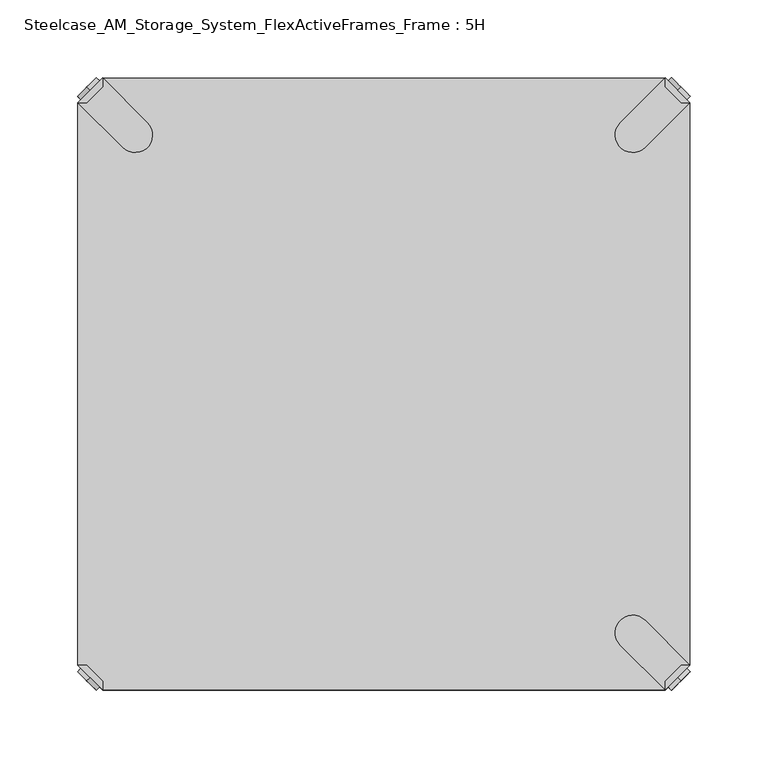
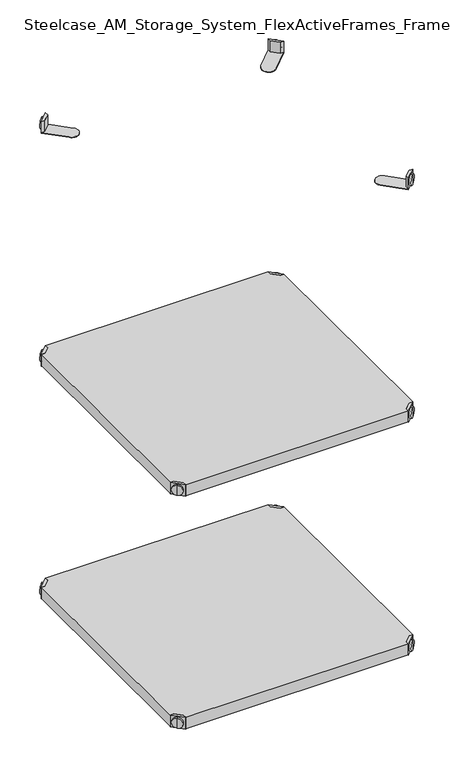
"""IFC4 building model written with IfcOpenShell, lengths in millimetres: furniture geometry, Steelcase_AM_Storage_System_FlexActiveFrames_Frame : 5H."""

from ifc_helpers import new_model, si_unit, frame, origin, place, context, project, spatial, polyline, circle_curve, outline, extrude, source, transform, mapped, element, save
from ifc_brep_helpers import plane_surface, cylinder_surface, advanced_brep


def steelcase_am_storage_system_flexactiveframes_frame_5h_f8468c08(model_context):
    return source(origin(), model_context, "Body", "SolidModel", [
        advanced_brep(
        [(389.0398449, 10.9601551, 498.5), (389.0398449, 10.9601551, 515.5), (389.0398449, 10.9601551, 507.0), (391.1611652, 8.8388348, 498.5), (391.1611652, 8.8388348, 515.5), (391.1611652, 8.8388348, 507.0)],
        [
            (0, 1, circle_curve(frame((389.0398449, 10.9601551, 507.0), z_axis=(-0.7071067811865556, 0.7071067811865395, 0.0), x_axis=(0.0, 0.0, 1.0)), 8.5)),
            (1, 2),
            (2, 0),
            (1, 0, circle_curve(frame((389.0398449, 10.9601551, 507.0), z_axis=(-0.7071067811865556, 0.7071067811865395, 0.0), x_axis=(0.0, 0.0, 1.0)), 8.5)),
            (3, 4, circle_curve(frame((391.1611652, 8.8388348, 507.0), z_axis=(-0.7071067811865556, 0.7071067811865395, 0.0), x_axis=(0.0, 0.0, 1.0)), 8.5)),
            (4, 1),
            (0, 3),
            (4, 3, circle_curve(frame((391.1611652, 8.8388348, 507.0), z_axis=(-0.7071067811865556, 0.7071067811865395, 0.0), x_axis=(0.0, 0.0, 1.0)), 8.5)),
            (5, 4),
            (3, 5),
        ],
        [
            plane_surface(frame((389.0398449, 10.9601551, 507.0), z_axis=(-0.7071067811865552, 0.7071067811865399, 0.0), x_axis=(0.0, 0.0, 1.0))),
            cylinder_surface(frame((391.1611652, 8.8388348, 507.0), z_axis=(0.7071067811865556, -0.7071067811865395, 0.0), x_axis=(0.0, 0.0, 1.0)), 8.5),
            plane_surface(frame((391.1611652, 8.8388348, 507.0), z_axis=(0.7071067811865552, -0.7071067811865399, 0.0), x_axis=(0.0, 0.0, 1.0))),
        ],
        [
            (0, [[1, 2, 3]]),
            (0, [[4, -3, -2]]),
            (1, [[5, 6, -1, 7]]),
            (1, [[8, -7, -4, -6]]),
            (2, [[9, -5, 10]]),
            (2, [[-10, -8, -9]]),
        ],
    ),
        advanced_brep(
        [(381.0796898, 3.0, 517.0), (397.0, 18.9203102, 517.0), (391.3431458, 18.9203102, 517.0), (381.0796898, 8.6568542, 517.0), (381.0796898, 3.0, 498.0), (381.0796898, 3.0, 497.0), (397.0, 18.9203102, 497.0), (397.0, 18.9203102, 498.0), (391.3431458, 18.9203102, 498.0), (381.0796898, 8.6568542, 498.0), (368.1906025, 47.7297077, 498.0), (352.2702923, 31.8093975, 498.0), (352.2702923, 31.8093975, 497.0), (368.1906025, 47.7297077, 497.0)],
        [
            (0, 1),
            (1, 2),
            (2, 3),
            (3, 0),
            (0, 4),
            (4, 5),
            (5, 6),
            (6, 7),
            (7, 1),
            (2, 8),
            (8, 9),
            (9, 3),
            (9, 4),
            (7, 8),
            (7, 10),
            (10, 11, circle_curve(frame((360.2304474, 39.7695526, 498.0), z_axis=(0.0, 0.0, 1.0), x_axis=(-1.0, 0.0, 0.0)), 11.2573593)),
            (11, 4),
            (5, 12),
            (12, 13, circle_curve(frame((360.2304474, 39.7695526, 497.0), z_axis=(0.0, 0.0, -1.0), x_axis=(-1.0, 0.0, 0.0)), 11.2573593)),
            (13, 6),
            (13, 10),
            (12, 11),
        ],
        [
            plane_surface(frame((438.8756299, 60.7959401, 517.0), z_axis=(0.0, 0.0, 1.0000000000000002), x_axis=(0.7071067811865465, 0.7071067811865487, 0.0))),
            plane_surface(frame((381.0796898, 3.0, 517.0), z_axis=(0.7071067811865487, -0.7071067811865465, 0.0), x_axis=(0.0, 0.0, -1.0))),
            plane_surface(frame((391.3431458, 18.9203102, 517.0), z_axis=(-0.7071067811865573, 0.7071067811865377, 0.0), x_axis=(0.0, 0.0, -1.0))),
            plane_surface(frame((381.0796898, 8.6568542, 517.0), z_axis=(-1.0, 0.0, 0.0), x_axis=(0.0, 0.0, -1.0))),
            plane_surface(frame((397.0, 18.9203102, 517.0), z_axis=(0.0, 1.0, 0.0), x_axis=(0.0, 0.0, -1.0))),
            plane_surface(frame((397.0, 18.9203102, 498.0), z_axis=(0.0, 0.0, 1.0), x_axis=(0.7071067811865392, 0.7071067811865558, 0.0))),
            plane_surface(frame((397.0, 18.9203102, 497.0), z_axis=(0.0, 0.0, -1.0), x_axis=(-0.7071067811865392, -0.7071067811865558, 0.0))),
            plane_surface(frame((397.0, 18.9203102, 498.0), z_axis=(0.7071067811865399, 0.7071067811865552, 0.0), x_axis=(0.0, 0.0, -1.0))),
            cylinder_surface(frame((360.2304474, 39.7695526, 497.0), z_axis=(0.0, 0.0, 1.0), x_axis=(-1.0, 0.0, 0.0)), 11.2573593),
            plane_surface(frame((352.2702923, 31.8093975, 498.0), z_axis=(-0.7071067811865388, -0.7071067811865563, 0.0), x_axis=(0.0, 0.0, -1.0))),
        ],
        [
            (0, [[1, 2, 3, 4]]),
            (1, [[-1, 5, 6, 7, 8, 9]]),
            (2, [[-3, 10, 11, 12]]),
            (3, [[-4, -12, 13, -5]]),
            (4, [[-2, -9, 14, -10]]),
            (5, [[15, 16, 17, -13, -11, -14]]),
            (6, [[18, 19, 20, -7]]),
            (7, [[-15, -8, -20, 21]]),
            (8, [[-16, -21, -19, 22]]),
            (9, [[-17, -22, -18, -6]]),
        ],
    ),
        advanced_brep(
        [(389.0398449, 389.0398449, 498.5), (389.0398449, 389.0398449, 507.0), (389.0398449, 389.0398449, 515.5), (391.1611652, 391.1611652, 498.5), (391.1611652, 391.1611652, 515.5), (391.1611652, 391.1611652, 507.0)],
        [
            (0, 1),
            (1, 2),
            (2, 0, circle_curve(frame((389.0398449, 389.0398449, 507.0), z_axis=(-0.7071067811865509, -0.7071067811865441, 0.0), x_axis=(0.0, 0.0, 1.0)), 8.5)),
            (0, 2, circle_curve(frame((389.0398449, 389.0398449, 507.0), z_axis=(-0.7071067811865509, -0.7071067811865441, 0.0), x_axis=(0.0, 0.0, 1.0)), 8.5)),
            (3, 0),
            (2, 4),
            (4, 3, circle_curve(frame((391.1611652, 391.1611652, 507.0), z_axis=(-0.7071067811865509, -0.7071067811865441, 0.0), x_axis=(0.0, 0.0, 1.0)), 8.5)),
            (3, 4, circle_curve(frame((391.1611652, 391.1611652, 507.0), z_axis=(-0.7071067811865509, -0.7071067811865441, 0.0), x_axis=(0.0, 0.0, 1.0)), 8.5)),
            (5, 3),
            (4, 5),
        ],
        [
            plane_surface(frame((389.0398449, 389.0398449, 507.0), z_axis=(-0.7071067811865506, -0.7071067811865446, 0.0), x_axis=(0.0, 0.0, 1.0))),
            cylinder_surface(frame((391.1611652, 391.1611652, 507.0), z_axis=(0.7071067811865509, 0.7071067811865441, 0.0), x_axis=(0.0, 0.0, 1.0)), 8.5),
            plane_surface(frame((391.1611652, 391.1611652, 507.0), z_axis=(0.7071067811865506, 0.7071067811865446, 0.0), x_axis=(0.0, 0.0, 1.0))),
        ],
        [
            (0, [[1, 2, 3]]),
            (0, [[-2, -1, 4]]),
            (1, [[5, -3, 6, 7]]),
            (1, [[-6, -4, -5, 8]]),
            (2, [[9, -7, 10]]),
            (2, [[-10, -8, -9]]),
        ],
    ),
        advanced_brep(
        [(381.0796898, 397.0, 517.0), (381.0796898, 391.3431458, 517.0), (391.3431458, 381.0796898, 517.0), (397.0, 381.0796898, 517.0), (397.0, 381.0796898, 498.0), (397.0, 381.0796898, 497.0), (381.0796898, 397.0, 497.0), (381.0796898, 397.0, 498.0), (381.0796898, 391.3431458, 498.0), (391.3431458, 381.0796898, 498.0), (352.2702923, 368.1906025, 498.0), (368.1906025, 352.2702923, 498.0), (368.1906025, 352.2702923, 497.0), (352.2702923, 368.1906025, 497.0)],
        [
            (0, 1),
            (1, 2),
            (2, 3),
            (3, 0),
            (3, 4),
            (4, 5),
            (5, 6),
            (6, 7),
            (7, 0),
            (1, 8),
            (8, 9),
            (9, 2),
            (7, 8),
            (9, 4),
            (7, 10),
            (10, 11, circle_curve(frame((360.2304474, 360.2304474, 498.0), z_axis=(0.0, 0.0, 1.0), x_axis=(-1.0, 0.0, 0.0)), 11.2573593)),
            (11, 4),
            (5, 12),
            (12, 13, circle_curve(frame((360.2304474, 360.2304474, 497.0), z_axis=(0.0, 0.0, -1.0), x_axis=(-1.0, 0.0, 0.0)), 11.2573593)),
            (13, 6),
            (11, 12),
            (10, 13),
        ],
        [
            plane_surface(frame((438.8756299, 339.2040599, 517.0), z_axis=(0.0, 0.0, 1.0000000000000002), x_axis=(0.7071067811865511, -0.707106781186544, 0.0))),
            plane_surface(frame((381.0796898, 397.0, 517.0), z_axis=(0.707106781186544, 0.7071067811865511, 0.0), x_axis=(0.0, 0.0, -1.0))),
            plane_surface(frame((391.3431458, 381.0796898, 517.0), z_axis=(-0.7071067811865527, -0.7071067811865424, 0.0), x_axis=(0.0, 0.0, -1.0))),
            plane_surface(frame((381.0796898, 391.3431458, 517.0), z_axis=(-1.0, 0.0, 0.0), x_axis=(0.0, 0.0, -1.0))),
            plane_surface(frame((397.0, 381.0796898, 517.0), z_axis=(0.0, -1.0, 0.0), x_axis=(0.0, 0.0, -1.0))),
            plane_surface(frame((397.0, 381.0796898, 498.0), z_axis=(0.0, 0.0, 1.0), x_axis=(0.7071067811865439, -0.7071067811865511, 0.0))),
            plane_surface(frame((397.0, 381.0796898, 497.0), z_axis=(0.0, 0.0, -1.0), x_axis=(-0.7071067811865439, 0.7071067811865511, 0.0))),
            plane_surface(frame((397.0, 381.0796898, 498.0), z_axis=(0.7071067811865446, -0.7071067811865506, 0.0), x_axis=(0.0, 0.0, -1.0))),
            cylinder_surface(frame((360.2304474, 360.2304474, 497.0), z_axis=(0.0, 0.0, 1.0), x_axis=(-1.0, 0.0, 0.0)), 11.2573593),
            plane_surface(frame((352.2702923, 368.1906025, 498.0), z_axis=(-0.7071067811865435, 0.7071067811865517, 0.0), x_axis=(0.0, 0.0, -1.0))),
        ],
        [
            (0, [[1, 2, 3, 4]]),
            (1, [[5, 6, 7, 8, 9, -4]]),
            (2, [[10, 11, 12, -2]]),
            (3, [[-9, 13, -10, -1]]),
            (4, [[-12, 14, -5, -3]]),
            (5, [[-14, -11, -13, 15, 16, 17]]),
            (6, [[-7, 18, 19, 20]]),
            (7, [[21, -18, -6, -17]]),
            (8, [[22, -19, -21, -16]]),
            (9, [[-8, -20, -22, -15]]),
        ],
    ),
        advanced_brep(
        [(10.9601551, 389.0398449, 498.5), (10.9601551, 389.0398449, 515.5), (10.9601551, 389.0398449, 507.0), (8.8388348, 391.1611652, 498.5), (8.8388348, 391.1611652, 515.5), (8.8388348, 391.1611652, 507.0)],
        [
            (0, 1, circle_curve(frame((10.9601551, 389.0398449, 507.0), z_axis=(0.7071067811865509, -0.7071067811865441, 0.0), x_axis=(0.0, 0.0, 1.0)), 8.5)),
            (1, 2),
            (2, 0),
            (1, 0, circle_curve(frame((10.9601551, 389.0398449, 507.0), z_axis=(0.7071067811865509, -0.7071067811865441, 0.0), x_axis=(0.0, 0.0, 1.0)), 8.5)),
            (3, 4, circle_curve(frame((8.8388348, 391.1611652, 507.0), z_axis=(0.7071067811865509, -0.7071067811865441, 0.0), x_axis=(0.0, 0.0, 1.0)), 8.5)),
            (4, 1),
            (0, 3),
            (4, 3, circle_curve(frame((8.8388348, 391.1611652, 507.0), z_axis=(0.7071067811865509, -0.7071067811865441, 0.0), x_axis=(0.0, 0.0, 1.0)), 8.5)),
            (5, 4),
            (3, 5),
        ],
        [
            plane_surface(frame((10.9601551, 389.0398449, 507.0), z_axis=(0.7071067811865506, -0.7071067811865446, 0.0), x_axis=(0.0, 0.0, 1.0))),
            cylinder_surface(frame((8.8388348, 391.1611652, 507.0), z_axis=(-0.7071067811865509, 0.7071067811865441, 0.0), x_axis=(0.0, 0.0, 1.0)), 8.5),
            plane_surface(frame((8.8388348, 391.1611652, 507.0), z_axis=(-0.7071067811865506, 0.7071067811865446, 0.0), x_axis=(0.0, 0.0, 1.0))),
        ],
        [
            (0, [[1, 2, 3]]),
            (0, [[4, -3, -2]]),
            (1, [[5, 6, -1, 7]]),
            (1, [[8, -7, -4, -6]]),
            (2, [[9, -5, 10]]),
            (2, [[-10, -8, -9]]),
        ],
    ),
        advanced_brep(
        [(18.9203102, 397.0, 517.0), (3.0, 381.0796898, 517.0), (8.6568542, 381.0796898, 517.0), (18.9203102, 391.3431458, 517.0), (18.9203102, 397.0, 498.0), (18.9203102, 397.0, 497.0), (3.0, 381.0796898, 497.0), (3.0, 381.0796898, 498.0), (8.6568542, 381.0796898, 498.0), (18.9203102, 391.3431458, 498.0), (31.8093975, 352.2702923, 498.0), (47.7297077, 368.1906025, 498.0), (47.7297077, 368.1906025, 497.0), (31.8093975, 352.2702923, 497.0)],
        [
            (0, 1),
            (1, 2),
            (2, 3),
            (3, 0),
            (0, 4),
            (4, 5),
            (5, 6),
            (6, 7),
            (7, 1),
            (2, 8),
            (8, 9),
            (9, 3),
            (9, 4),
            (7, 8),
            (7, 10),
            (10, 11, circle_curve(frame((39.7695526, 360.2304474, 498.0), z_axis=(0.0, 0.0, 1.0), x_axis=(1.0, 0.0, 0.0)), 11.2573593)),
            (11, 4),
            (5, 12),
            (12, 13, circle_curve(frame((39.7695526, 360.2304474, 497.0), z_axis=(0.0, 0.0, -1.0), x_axis=(1.0, 0.0, 0.0)), 11.2573593)),
            (13, 6),
            (13, 10),
            (12, 11),
        ],
        [
            plane_surface(frame((-38.8756299, 339.2040599, 517.0), z_axis=(0.0, 0.0, 1.0000000000000002), x_axis=(-0.7071067811865511, -0.707106781186544, 0.0))),
            plane_surface(frame((18.9203102, 397.0, 517.0), z_axis=(-0.707106781186544, 0.7071067811865511, 0.0), x_axis=(0.0, 0.0, -1.0))),
            plane_surface(frame((8.6568542, 381.0796898, 517.0), z_axis=(0.7071067811865527, -0.7071067811865424, 0.0), x_axis=(0.0, 0.0, -1.0))),
            plane_surface(frame((18.9203102, 391.3431458, 517.0), z_axis=(1.0, 0.0, 0.0), x_axis=(0.0, 0.0, -1.0))),
            plane_surface(frame((3.0, 381.0796898, 517.0), z_axis=(0.0, -1.0, 0.0), x_axis=(0.0, 0.0, -1.0))),
            plane_surface(frame((3.0, 381.0796898, 498.0), z_axis=(0.0, 0.0, 1.0), x_axis=(-0.7071067811865439, -0.7071067811865511, 0.0))),
            plane_surface(frame((3.0, 381.0796898, 497.0), z_axis=(0.0, 0.0, -1.0), x_axis=(0.7071067811865439, 0.7071067811865511, 0.0))),
            plane_surface(frame((3.0, 381.0796898, 498.0), z_axis=(-0.7071067811865446, -0.7071067811865506, 0.0), x_axis=(0.0, 0.0, -1.0))),
            cylinder_surface(frame((39.7695526, 360.2304474, 497.0), z_axis=(0.0, 0.0, 1.0), x_axis=(1.0, 0.0, 0.0)), 11.2573593),
            plane_surface(frame((47.7297077, 368.1906025, 498.0), z_axis=(0.7071067811865435, 0.7071067811865517, 0.0), x_axis=(0.0, 0.0, -1.0))),
        ],
        [
            (0, [[1, 2, 3, 4]]),
            (1, [[-1, 5, 6, 7, 8, 9]]),
            (2, [[-3, 10, 11, 12]]),
            (3, [[-4, -12, 13, -5]]),
            (4, [[-2, -9, 14, -10]]),
            (5, [[15, 16, 17, -13, -11, -14]]),
            (6, [[18, 19, 20, -7]]),
            (7, [[-15, -8, -20, 21]]),
            (8, [[-16, -21, -19, 22]]),
            (9, [[-17, -22, -18, -6]]),
        ],
    ),
        advanced_brep(
        [(10.9601551, 10.9601551, 498.5), (10.9601551, 10.9601551, 507.0), (10.9601551, 10.9601551, 515.5), (8.8388348, 8.8388348, 498.5), (8.8388348, 8.8388348, 515.5), (8.8388348, 8.8388348, 507.0)],
        [
            (0, 1),
            (1, 2),
            (2, 0, circle_curve(frame((10.9601551, 10.9601551, 507.0), z_axis=(0.7071067811865464, 0.7071067811865487, 0.0), x_axis=(0.0, 0.0, 1.0)), 8.5)),
            (0, 2, circle_curve(frame((10.9601551, 10.9601551, 507.0), z_axis=(0.7071067811865464, 0.7071067811865487, 0.0), x_axis=(0.0, 0.0, 1.0)), 8.5)),
            (3, 0),
            (2, 4),
            (4, 3, circle_curve(frame((8.8388348, 8.8388348, 507.0), z_axis=(0.7071067811865464, 0.7071067811865487, 0.0), x_axis=(0.0, 0.0, 1.0)), 8.5)),
            (3, 4, circle_curve(frame((8.8388348, 8.8388348, 507.0), z_axis=(0.7071067811865464, 0.7071067811865487, 0.0), x_axis=(0.0, 0.0, 1.0)), 8.5)),
            (5, 3),
            (4, 5),
        ],
        [
            plane_surface(frame((10.9601551, 10.9601551, 507.0), z_axis=(0.707106781186546, 0.7071067811865491, 0.0), x_axis=(0.0, 0.0, 1.0))),
            cylinder_surface(frame((8.8388348, 8.8388348, 507.0), z_axis=(-0.7071067811865464, -0.7071067811865487, 0.0), x_axis=(0.0, 0.0, 1.0)), 8.5),
            plane_surface(frame((8.8388348, 8.8388348, 507.0), z_axis=(-0.707106781186546, -0.7071067811865491, 0.0), x_axis=(0.0, 0.0, 1.0))),
        ],
        [
            (0, [[1, 2, 3]]),
            (0, [[-2, -1, 4]]),
            (1, [[5, -3, 6, 7]]),
            (1, [[-6, -4, -5, 8]]),
            (2, [[9, -7, 10]]),
            (2, [[-10, -8, -9]]),
        ],
    ),
        advanced_brep(
        [(18.9203102, 3.0, 517.0), (18.9203102, 8.6568542, 517.0), (8.6568542, 18.9203102, 517.0), (3.0, 18.9203102, 517.0), (3.0, 18.9203102, 498.0), (3.0, 18.9203102, 497.0), (18.9203102, 3.0, 497.0), (18.9203102, 3.0, 498.0), (18.9203102, 8.6568542, 498.0), (8.6568542, 18.9203102, 498.0), (47.7297077, 31.8093975, 498.0), (31.8093975, 47.7297077, 498.0), (31.8093975, 47.7297077, 497.0), (47.7297077, 31.8093975, 497.0)],
        [
            (0, 1),
            (1, 2),
            (2, 3),
            (3, 0),
            (3, 4),
            (4, 5),
            (5, 6),
            (6, 7),
            (7, 0),
            (1, 8),
            (8, 9),
            (9, 2),
            (7, 8),
            (9, 4),
            (7, 10),
            (10, 11, circle_curve(frame((39.7695526, 39.7695526, 498.0), z_axis=(0.0, 0.0, 1.0), x_axis=(1.0, 0.0, 0.0)), 11.2573593)),
            (11, 4),
            (5, 12),
            (12, 13, circle_curve(frame((39.7695526, 39.7695526, 497.0), z_axis=(0.0, 0.0, -1.0), x_axis=(1.0, 0.0, 0.0)), 11.2573593)),
            (13, 6),
            (11, 12),
            (10, 13),
        ],
        [
            plane_surface(frame((-38.8756299, 60.7959401, 517.0), z_axis=(0.0, 0.0, 1.0000000000000002), x_axis=(-0.7071067811865557, 0.7071067811865395, 0.0))),
            plane_surface(frame((18.9203102, 3.0, 517.0), z_axis=(-0.7071067811865395, -0.7071067811865557, 0.0), x_axis=(0.0, 0.0, -1.0))),
            plane_surface(frame((8.6568542, 18.9203102, 517.0), z_axis=(0.7071067811865481, 0.7071067811865469, 0.0), x_axis=(0.0, 0.0, -1.0))),
            plane_surface(frame((18.9203102, 8.6568542, 517.0), z_axis=(1.0, 0.0, 0.0), x_axis=(0.0, 0.0, -1.0))),
            plane_surface(frame((3.0, 18.9203102, 517.0), z_axis=(0.0, 1.0, 0.0), x_axis=(0.0, 0.0, -1.0))),
            plane_surface(frame((3.0, 18.9203102, 498.0), z_axis=(0.0, 0.0, 1.0), x_axis=(-0.7071067811865485, 0.7071067811865466, 0.0))),
            plane_surface(frame((3.0, 18.9203102, 497.0), z_axis=(0.0, 0.0, -1.0), x_axis=(0.7071067811865485, -0.7071067811865466, 0.0))),
            plane_surface(frame((3.0, 18.9203102, 498.0), z_axis=(-0.7071067811865491, 0.707106781186546, 0.0), x_axis=(0.0, 0.0, -1.0))),
            cylinder_surface(frame((39.7695526, 39.7695526, 497.0), z_axis=(0.0, 0.0, 1.0), x_axis=(1.0, 0.0, 0.0)), 11.2573593),
            plane_surface(frame((47.7297077, 31.8093975, 498.0), z_axis=(0.707106781186548, -0.7071067811865471, 0.0), x_axis=(0.0, 0.0, -1.0))),
        ],
        [
            (0, [[1, 2, 3, 4]]),
            (1, [[5, 6, 7, 8, 9, -4]]),
            (2, [[10, 11, 12, -2]]),
            (3, [[-9, 13, -10, -1]]),
            (4, [[-12, 14, -5, -3]]),
            (5, [[-14, -11, -13, 15, 16, 17]]),
            (6, [[-7, 18, 19, 20]]),
            (7, [[21, -18, -6, -17]]),
            (8, [[22, -19, -21, -16]]),
            (9, [[-8, -20, -22, -15]]),
        ],
    ),
        extrude(outline(polyline([(381.0796898, 3.0), (18.9203102, 3.0), (18.9203102, 8.6568542), (8.6568542, 18.9203102), (3.0, 18.9203102), (3.0, 381.0796898), (8.6568542, 381.0796898), (18.9203102, 391.3431458), (18.9203102, 397.0), (381.0796898, 397.0), (381.0796898, 391.3431458), (391.3431458, 381.0796898), (397.0, 381.0796898), (397.0, 18.9203102), (391.3431458, 18.9203102), (381.0796898, 8.6568542), (381.0796898, 3.0)])), frame((0.0, 0.0, 498.0), z_axis=(0.0, 0.0, 1.0), x_axis=(1.0, 0.0, 0.0)), (0.0, 0.0, 1.0), 19.0),
        advanced_brep(
        [(389.0398449, 10.9601551, 898.5), (389.0398449, 10.9601551, 915.5), (389.0398449, 10.9601551, 907.0), (391.1611652, 8.8388348, 898.5), (391.1611652, 8.8388348, 915.5), (391.1611652, 8.8388348, 907.0)],
        [
            (0, 1, circle_curve(frame((389.0398449, 10.9601551, 907.0), z_axis=(-0.7071067811865556, 0.7071067811865395, 0.0), x_axis=(0.0, 0.0, 1.0)), 8.5)),
            (1, 2),
            (2, 0),
            (1, 0, circle_curve(frame((389.0398449, 10.9601551, 907.0), z_axis=(-0.7071067811865556, 0.7071067811865395, 0.0), x_axis=(0.0, 0.0, 1.0)), 8.5)),
            (3, 4, circle_curve(frame((391.1611652, 8.8388348, 907.0), z_axis=(-0.7071067811865556, 0.7071067811865395, 0.0), x_axis=(0.0, 0.0, 1.0)), 8.5)),
            (4, 1),
            (0, 3),
            (4, 3, circle_curve(frame((391.1611652, 8.8388348, 907.0), z_axis=(-0.7071067811865556, 0.7071067811865395, 0.0), x_axis=(0.0, 0.0, 1.0)), 8.5)),
            (5, 4),
            (3, 5),
        ],
        [
            plane_surface(frame((389.0398449, 10.9601551, 907.0), z_axis=(-0.7071067811865552, 0.7071067811865399, 0.0), x_axis=(0.0, 0.0, 1.0))),
            cylinder_surface(frame((391.1611652, 8.8388348, 907.0), z_axis=(0.7071067811865556, -0.7071067811865395, 0.0), x_axis=(0.0, 0.0, 1.0)), 8.5),
            plane_surface(frame((391.1611652, 8.8388348, 907.0), z_axis=(0.7071067811865552, -0.7071067811865399, 0.0), x_axis=(0.0, 0.0, 1.0))),
        ],
        [
            (0, [[1, 2, 3]]),
            (0, [[4, -3, -2]]),
            (1, [[5, 6, -1, 7]]),
            (1, [[8, -7, -4, -6]]),
            (2, [[9, -5, 10]]),
            (2, [[-10, -8, -9]]),
        ],
    ),
        advanced_brep(
        [(381.0796898, 3.0, 917.0), (397.0, 18.9203102, 917.0), (391.3431458, 18.9203102, 917.0), (381.0796898, 8.6568542, 917.0), (381.0796898, 3.0, 898.0), (381.0796898, 3.0, 897.0), (397.0, 18.9203102, 897.0), (397.0, 18.9203102, 898.0), (391.3431458, 18.9203102, 898.0), (381.0796898, 8.6568542, 898.0), (368.1906025, 47.7297077, 898.0), (352.2702923, 31.8093975, 898.0), (352.2702923, 31.8093975, 897.0), (368.1906025, 47.7297077, 897.0)],
        [
            (0, 1),
            (1, 2),
            (2, 3),
            (3, 0),
            (0, 4),
            (4, 5),
            (5, 6),
            (6, 7),
            (7, 1),
            (2, 8),
            (8, 9),
            (9, 3),
            (9, 4),
            (7, 8),
            (7, 10),
            (10, 11, circle_curve(frame((360.2304474, 39.7695526, 898.0), z_axis=(0.0, 0.0, 1.0), x_axis=(-1.0, 0.0, 0.0)), 11.2573593)),
            (11, 4),
            (5, 12),
            (12, 13, circle_curve(frame((360.2304474, 39.7695526, 897.0), z_axis=(0.0, 0.0, -1.0), x_axis=(-1.0, 0.0, 0.0)), 11.2573593)),
            (13, 6),
            (13, 10),
            (12, 11),
        ],
        [
            plane_surface(frame((438.8756299, 60.7959401, 917.0), z_axis=(0.0, 0.0, 1.0000000000000002), x_axis=(0.7071067811865465, 0.7071067811865487, 0.0))),
            plane_surface(frame((381.0796898, 3.0, 917.0), z_axis=(0.7071067811865487, -0.7071067811865465, 0.0), x_axis=(0.0, 0.0, -1.0))),
            plane_surface(frame((391.3431458, 18.9203102, 917.0), z_axis=(-0.7071067811865573, 0.7071067811865377, 0.0), x_axis=(0.0, 0.0, -1.0))),
            plane_surface(frame((381.0796898, 8.6568542, 917.0), z_axis=(-1.0, 0.0, 0.0), x_axis=(0.0, 0.0, -1.0))),
            plane_surface(frame((397.0, 18.9203102, 917.0), z_axis=(0.0, 1.0, 0.0), x_axis=(0.0, 0.0, -1.0))),
            plane_surface(frame((397.0, 18.9203102, 898.0), z_axis=(0.0, 0.0, 1.0), x_axis=(0.7071067811865392, 0.7071067811865558, 0.0))),
            plane_surface(frame((397.0, 18.9203102, 897.0), z_axis=(0.0, 0.0, -1.0), x_axis=(-0.7071067811865392, -0.7071067811865558, 0.0))),
            plane_surface(frame((397.0, 18.9203102, 898.0), z_axis=(0.7071067811865399, 0.7071067811865552, 0.0), x_axis=(0.0, 0.0, -1.0))),
            cylinder_surface(frame((360.2304474, 39.7695526, 897.0), z_axis=(0.0, 0.0, 1.0), x_axis=(-1.0, 0.0, 0.0)), 11.2573593),
            plane_surface(frame((352.2702923, 31.8093975, 898.0), z_axis=(-0.7071067811865388, -0.7071067811865563, 0.0), x_axis=(0.0, 0.0, -1.0))),
        ],
        [
            (0, [[1, 2, 3, 4]]),
            (1, [[-1, 5, 6, 7, 8, 9]]),
            (2, [[-3, 10, 11, 12]]),
            (3, [[-4, -12, 13, -5]]),
            (4, [[-2, -9, 14, -10]]),
            (5, [[15, 16, 17, -13, -11, -14]]),
            (6, [[18, 19, 20, -7]]),
            (7, [[-15, -8, -20, 21]]),
            (8, [[-16, -21, -19, 22]]),
            (9, [[-17, -22, -18, -6]]),
        ],
    ),
        advanced_brep(
        [(389.0398449, 389.0398449, 898.5), (389.0398449, 389.0398449, 907.0), (389.0398449, 389.0398449, 915.5), (391.1611652, 391.1611652, 898.5), (391.1611652, 391.1611652, 915.5), (391.1611652, 391.1611652, 907.0)],
        [
            (0, 1),
            (1, 2),
            (2, 0, circle_curve(frame((389.0398449, 389.0398449, 907.0), z_axis=(-0.7071067811865509, -0.7071067811865441, 0.0), x_axis=(0.0, 0.0, 1.0)), 8.5)),
            (0, 2, circle_curve(frame((389.0398449, 389.0398449, 907.0), z_axis=(-0.7071067811865509, -0.7071067811865441, 0.0), x_axis=(0.0, 0.0, 1.0)), 8.5)),
            (3, 0),
            (2, 4),
            (4, 3, circle_curve(frame((391.1611652, 391.1611652, 907.0), z_axis=(-0.7071067811865509, -0.7071067811865441, 0.0), x_axis=(0.0, 0.0, 1.0)), 8.5)),
            (3, 4, circle_curve(frame((391.1611652, 391.1611652, 907.0), z_axis=(-0.7071067811865509, -0.7071067811865441, 0.0), x_axis=(0.0, 0.0, 1.0)), 8.5)),
            (5, 3),
            (4, 5),
        ],
        [
            plane_surface(frame((389.0398449, 389.0398449, 907.0), z_axis=(-0.7071067811865506, -0.7071067811865446, 0.0), x_axis=(0.0, 0.0, 1.0))),
            cylinder_surface(frame((391.1611652, 391.1611652, 907.0), z_axis=(0.7071067811865509, 0.7071067811865441, 0.0), x_axis=(0.0, 0.0, 1.0)), 8.5),
            plane_surface(frame((391.1611652, 391.1611652, 907.0), z_axis=(0.7071067811865506, 0.7071067811865446, 0.0), x_axis=(0.0, 0.0, 1.0))),
        ],
        [
            (0, [[1, 2, 3]]),
            (0, [[-2, -1, 4]]),
            (1, [[5, -3, 6, 7]]),
            (1, [[-6, -4, -5, 8]]),
            (2, [[9, -7, 10]]),
            (2, [[-10, -8, -9]]),
        ],
    ),
        advanced_brep(
        [(381.0796898, 397.0, 917.0), (381.0796898, 391.3431458, 917.0), (391.3431458, 381.0796898, 917.0), (397.0, 381.0796898, 917.0), (397.0, 381.0796898, 898.0), (397.0, 381.0796898, 897.0), (381.0796898, 397.0, 897.0), (381.0796898, 397.0, 898.0), (381.0796898, 391.3431458, 898.0), (391.3431458, 381.0796898, 898.0), (352.2702923, 368.1906025, 898.0), (368.1906025, 352.2702923, 898.0), (368.1906025, 352.2702923, 897.0), (352.2702923, 368.1906025, 897.0)],
        [
            (0, 1),
            (1, 2),
            (2, 3),
            (3, 0),
            (3, 4),
            (4, 5),
            (5, 6),
            (6, 7),
            (7, 0),
            (1, 8),
            (8, 9),
            (9, 2),
            (7, 8),
            (9, 4),
            (7, 10),
            (10, 11, circle_curve(frame((360.2304474, 360.2304474, 898.0), z_axis=(0.0, 0.0, 1.0), x_axis=(-1.0, 0.0, 0.0)), 11.2573593)),
            (11, 4),
            (5, 12),
            (12, 13, circle_curve(frame((360.2304474, 360.2304474, 897.0), z_axis=(0.0, 0.0, -1.0), x_axis=(-1.0, 0.0, 0.0)), 11.2573593)),
            (13, 6),
            (11, 12),
            (10, 13),
        ],
        [
            plane_surface(frame((438.8756299, 339.2040599, 917.0), z_axis=(0.0, 0.0, 1.0000000000000002), x_axis=(0.7071067811865511, -0.707106781186544, 0.0))),
            plane_surface(frame((381.0796898, 397.0, 917.0), z_axis=(0.707106781186544, 0.7071067811865511, 0.0), x_axis=(0.0, 0.0, -1.0))),
            plane_surface(frame((391.3431458, 381.0796898, 917.0), z_axis=(-0.7071067811865527, -0.7071067811865424, 0.0), x_axis=(0.0, 0.0, -1.0))),
            plane_surface(frame((381.0796898, 391.3431458, 917.0), z_axis=(-1.0, 0.0, 0.0), x_axis=(0.0, 0.0, -1.0))),
            plane_surface(frame((397.0, 381.0796898, 917.0), z_axis=(0.0, -1.0, 0.0), x_axis=(0.0, 0.0, -1.0))),
            plane_surface(frame((397.0, 381.0796898, 898.0), z_axis=(0.0, 0.0, 1.0), x_axis=(0.7071067811865439, -0.7071067811865511, 0.0))),
            plane_surface(frame((397.0, 381.0796898, 897.0), z_axis=(0.0, 0.0, -1.0), x_axis=(-0.7071067811865439, 0.7071067811865511, 0.0))),
            plane_surface(frame((397.0, 381.0796898, 898.0), z_axis=(0.7071067811865446, -0.7071067811865506, 0.0), x_axis=(0.0, 0.0, -1.0))),
            cylinder_surface(frame((360.2304474, 360.2304474, 897.0), z_axis=(0.0, 0.0, 1.0), x_axis=(-1.0, 0.0, 0.0)), 11.2573593),
            plane_surface(frame((352.2702923, 368.1906025, 898.0), z_axis=(-0.7071067811865435, 0.7071067811865517, 0.0), x_axis=(0.0, 0.0, -1.0))),
        ],
        [
            (0, [[1, 2, 3, 4]]),
            (1, [[5, 6, 7, 8, 9, -4]]),
            (2, [[10, 11, 12, -2]]),
            (3, [[-9, 13, -10, -1]]),
            (4, [[-12, 14, -5, -3]]),
            (5, [[-14, -11, -13, 15, 16, 17]]),
            (6, [[-7, 18, 19, 20]]),
            (7, [[21, -18, -6, -17]]),
            (8, [[22, -19, -21, -16]]),
            (9, [[-8, -20, -22, -15]]),
        ],
    ),
        advanced_brep(
        [(10.9601551, 389.0398449, 898.5), (10.9601551, 389.0398449, 915.5), (10.9601551, 389.0398449, 907.0), (8.8388348, 391.1611652, 898.5), (8.8388348, 391.1611652, 915.5), (8.8388348, 391.1611652, 907.0)],
        [
            (0, 1, circle_curve(frame((10.9601551, 389.0398449, 907.0), z_axis=(0.7071067811865509, -0.7071067811865441, 0.0), x_axis=(0.0, 0.0, 1.0)), 8.5)),
            (1, 2),
            (2, 0),
            (1, 0, circle_curve(frame((10.9601551, 389.0398449, 907.0), z_axis=(0.7071067811865509, -0.7071067811865441, 0.0), x_axis=(0.0, 0.0, 1.0)), 8.5)),
            (3, 4, circle_curve(frame((8.8388348, 391.1611652, 907.0), z_axis=(0.7071067811865509, -0.7071067811865441, 0.0), x_axis=(0.0, 0.0, 1.0)), 8.5)),
            (4, 1),
            (0, 3),
            (4, 3, circle_curve(frame((8.8388348, 391.1611652, 907.0), z_axis=(0.7071067811865509, -0.7071067811865441, 0.0), x_axis=(0.0, 0.0, 1.0)), 8.5)),
            (5, 4),
            (3, 5),
        ],
        [
            plane_surface(frame((10.9601551, 389.0398449, 907.0), z_axis=(0.7071067811865506, -0.7071067811865446, 0.0), x_axis=(0.0, 0.0, 1.0))),
            cylinder_surface(frame((8.8388348, 391.1611652, 907.0), z_axis=(-0.7071067811865509, 0.7071067811865441, 0.0), x_axis=(0.0, 0.0, 1.0)), 8.5),
            plane_surface(frame((8.8388348, 391.1611652, 907.0), z_axis=(-0.7071067811865506, 0.7071067811865446, 0.0), x_axis=(0.0, 0.0, 1.0))),
        ],
        [
            (0, [[1, 2, 3]]),
            (0, [[4, -3, -2]]),
            (1, [[5, 6, -1, 7]]),
            (1, [[8, -7, -4, -6]]),
            (2, [[9, -5, 10]]),
            (2, [[-10, -8, -9]]),
        ],
    ),
        advanced_brep(
        [(18.9203102, 397.0, 917.0), (3.0, 381.0796898, 917.0), (8.6568542, 381.0796898, 917.0), (18.9203102, 391.3431458, 917.0), (18.9203102, 397.0, 898.0), (18.9203102, 397.0, 897.0), (3.0, 381.0796898, 897.0), (3.0, 381.0796898, 898.0), (8.6568542, 381.0796898, 898.0), (18.9203102, 391.3431458, 898.0), (31.8093975, 352.2702923, 898.0), (47.7297077, 368.1906025, 898.0), (47.7297077, 368.1906025, 897.0), (31.8093975, 352.2702923, 897.0)],
        [
            (0, 1),
            (1, 2),
            (2, 3),
            (3, 0),
            (0, 4),
            (4, 5),
            (5, 6),
            (6, 7),
            (7, 1),
            (2, 8),
            (8, 9),
            (9, 3),
            (9, 4),
            (7, 8),
            (7, 10),
            (10, 11, circle_curve(frame((39.7695526, 360.2304474, 898.0), z_axis=(0.0, 0.0, 1.0), x_axis=(1.0, 0.0, 0.0)), 11.2573593)),
            (11, 4),
            (5, 12),
            (12, 13, circle_curve(frame((39.7695526, 360.2304474, 897.0), z_axis=(0.0, 0.0, -1.0), x_axis=(1.0, 0.0, 0.0)), 11.2573593)),
            (13, 6),
            (13, 10),
            (12, 11),
        ],
        [
            plane_surface(frame((-38.8756299, 339.2040599, 917.0), z_axis=(0.0, 0.0, 1.0000000000000002), x_axis=(-0.7071067811865511, -0.707106781186544, 0.0))),
            plane_surface(frame((18.9203102, 397.0, 917.0), z_axis=(-0.707106781186544, 0.7071067811865511, 0.0), x_axis=(0.0, 0.0, -1.0))),
            plane_surface(frame((8.6568542, 381.0796898, 917.0), z_axis=(0.7071067811865527, -0.7071067811865424, 0.0), x_axis=(0.0, 0.0, -1.0))),
            plane_surface(frame((18.9203102, 391.3431458, 917.0), z_axis=(1.0, 0.0, 0.0), x_axis=(0.0, 0.0, -1.0))),
            plane_surface(frame((3.0, 381.0796898, 917.0), z_axis=(0.0, -1.0, 0.0), x_axis=(0.0, 0.0, -1.0))),
            plane_surface(frame((3.0, 381.0796898, 898.0), z_axis=(0.0, 0.0, 1.0), x_axis=(-0.7071067811865439, -0.7071067811865511, 0.0))),
            plane_surface(frame((3.0, 381.0796898, 897.0), z_axis=(0.0, 0.0, -1.0), x_axis=(0.7071067811865439, 0.7071067811865511, 0.0))),
            plane_surface(frame((3.0, 381.0796898, 898.0), z_axis=(-0.7071067811865446, -0.7071067811865506, 0.0), x_axis=(0.0, 0.0, -1.0))),
            cylinder_surface(frame((39.7695526, 360.2304474, 897.0), z_axis=(0.0, 0.0, 1.0), x_axis=(1.0, 0.0, 0.0)), 11.2573593),
            plane_surface(frame((47.7297077, 368.1906025, 898.0), z_axis=(0.7071067811865435, 0.7071067811865517, 0.0), x_axis=(0.0, 0.0, -1.0))),
        ],
        [
            (0, [[1, 2, 3, 4]]),
            (1, [[-1, 5, 6, 7, 8, 9]]),
            (2, [[-3, 10, 11, 12]]),
            (3, [[-4, -12, 13, -5]]),
            (4, [[-2, -9, 14, -10]]),
            (5, [[15, 16, 17, -13, -11, -14]]),
            (6, [[18, 19, 20, -7]]),
            (7, [[-15, -8, -20, 21]]),
            (8, [[-16, -21, -19, 22]]),
            (9, [[-17, -22, -18, -6]]),
        ],
    ),
        advanced_brep(
        [(10.9601551, 10.9601551, 898.5), (10.9601551, 10.9601551, 907.0), (10.9601551, 10.9601551, 915.5), (8.8388348, 8.8388348, 898.5), (8.8388348, 8.8388348, 915.5), (8.8388348, 8.8388348, 907.0)],
        [
            (0, 1),
            (1, 2),
            (2, 0, circle_curve(frame((10.9601551, 10.9601551, 907.0), z_axis=(0.7071067811865464, 0.7071067811865487, 0.0), x_axis=(0.0, 0.0, 1.0)), 8.5)),
            (0, 2, circle_curve(frame((10.9601551, 10.9601551, 907.0), z_axis=(0.7071067811865464, 0.7071067811865487, 0.0), x_axis=(0.0, 0.0, 1.0)), 8.5)),
            (3, 0),
            (2, 4),
            (4, 3, circle_curve(frame((8.8388348, 8.8388348, 907.0), z_axis=(0.7071067811865464, 0.7071067811865487, 0.0), x_axis=(0.0, 0.0, 1.0)), 8.5)),
            (3, 4, circle_curve(frame((8.8388348, 8.8388348, 907.0), z_axis=(0.7071067811865464, 0.7071067811865487, 0.0), x_axis=(0.0, 0.0, 1.0)), 8.5)),
            (5, 3),
            (4, 5),
        ],
        [
            plane_surface(frame((10.9601551, 10.9601551, 907.0), z_axis=(0.707106781186546, 0.7071067811865491, 0.0), x_axis=(0.0, 0.0, 1.0))),
            cylinder_surface(frame((8.8388348, 8.8388348, 907.0), z_axis=(-0.7071067811865464, -0.7071067811865487, 0.0), x_axis=(0.0, 0.0, 1.0)), 8.5),
            plane_surface(frame((8.8388348, 8.8388348, 907.0), z_axis=(-0.707106781186546, -0.7071067811865491, 0.0), x_axis=(0.0, 0.0, 1.0))),
        ],
        [
            (0, [[1, 2, 3]]),
            (0, [[-2, -1, 4]]),
            (1, [[5, -3, 6, 7]]),
            (1, [[-6, -4, -5, 8]]),
            (2, [[9, -7, 10]]),
            (2, [[-10, -8, -9]]),
        ],
    ),
        advanced_brep(
        [(18.9203102, 3.0, 917.0), (18.9203102, 8.6568542, 917.0), (8.6568542, 18.9203102, 917.0), (3.0, 18.9203102, 917.0), (3.0, 18.9203102, 898.0), (3.0, 18.9203102, 897.0), (18.9203102, 3.0, 897.0), (18.9203102, 3.0, 898.0), (18.9203102, 8.6568542, 898.0), (8.6568542, 18.9203102, 898.0), (47.7297077, 31.8093975, 898.0), (31.8093975, 47.7297077, 898.0), (31.8093975, 47.7297077, 897.0), (47.7297077, 31.8093975, 897.0)],
        [
            (0, 1),
            (1, 2),
            (2, 3),
            (3, 0),
            (3, 4),
            (4, 5),
            (5, 6),
            (6, 7),
            (7, 0),
            (1, 8),
            (8, 9),
            (9, 2),
            (7, 8),
            (9, 4),
            (7, 10),
            (10, 11, circle_curve(frame((39.7695526, 39.7695526, 898.0), z_axis=(0.0, 0.0, 1.0), x_axis=(1.0, 0.0, 0.0)), 11.2573593)),
            (11, 4),
            (5, 12),
            (12, 13, circle_curve(frame((39.7695526, 39.7695526, 897.0), z_axis=(0.0, 0.0, -1.0), x_axis=(1.0, 0.0, 0.0)), 11.2573593)),
            (13, 6),
            (11, 12),
            (10, 13),
        ],
        [
            plane_surface(frame((-38.8756299, 60.7959401, 917.0), z_axis=(0.0, 0.0, 1.0000000000000002), x_axis=(-0.7071067811865557, 0.7071067811865395, 0.0))),
            plane_surface(frame((18.9203102, 3.0, 917.0), z_axis=(-0.7071067811865395, -0.7071067811865557, 0.0), x_axis=(0.0, 0.0, -1.0))),
            plane_surface(frame((8.6568542, 18.9203102, 917.0), z_axis=(0.7071067811865481, 0.7071067811865469, 0.0), x_axis=(0.0, 0.0, -1.0))),
            plane_surface(frame((18.9203102, 8.6568542, 917.0), z_axis=(1.0, 0.0, 0.0), x_axis=(0.0, 0.0, -1.0))),
            plane_surface(frame((3.0, 18.9203102, 917.0), z_axis=(0.0, 1.0, 0.0), x_axis=(0.0, 0.0, -1.0))),
            plane_surface(frame((3.0, 18.9203102, 898.0), z_axis=(0.0, 0.0, 1.0), x_axis=(-0.7071067811865485, 0.7071067811865466, 0.0))),
            plane_surface(frame((3.0, 18.9203102, 897.0), z_axis=(0.0, 0.0, -1.0), x_axis=(0.7071067811865485, -0.7071067811865466, 0.0))),
            plane_surface(frame((3.0, 18.9203102, 898.0), z_axis=(-0.7071067811865491, 0.707106781186546, 0.0), x_axis=(0.0, 0.0, -1.0))),
            cylinder_surface(frame((39.7695526, 39.7695526, 897.0), z_axis=(0.0, 0.0, 1.0), x_axis=(1.0, 0.0, 0.0)), 11.2573593),
            plane_surface(frame((47.7297077, 31.8093975, 898.0), z_axis=(0.707106781186548, -0.7071067811865471, 0.0), x_axis=(0.0, 0.0, -1.0))),
        ],
        [
            (0, [[1, 2, 3, 4]]),
            (1, [[5, 6, 7, 8, 9, -4]]),
            (2, [[10, 11, 12, -2]]),
            (3, [[-9, 13, -10, -1]]),
            (4, [[-12, 14, -5, -3]]),
            (5, [[-14, -11, -13, 15, 16, 17]]),
            (6, [[-7, 18, 19, 20]]),
            (7, [[21, -18, -6, -17]]),
            (8, [[22, -19, -21, -16]]),
            (9, [[-8, -20, -22, -15]]),
        ],
    ),
        extrude(outline(polyline([(381.0796898, 3.0), (18.9203102, 3.0), (18.9203102, 8.6568542), (8.6568542, 18.9203102), (3.0, 18.9203102), (3.0, 381.0796898), (8.6568542, 381.0796898), (18.9203102, 391.3431458), (18.9203102, 397.0), (381.0796898, 397.0), (381.0796898, 391.3431458), (391.3431458, 381.0796898), (397.0, 381.0796898), (397.0, 18.9203102), (391.3431458, 18.9203102), (381.0796898, 8.6568542), (381.0796898, 3.0)])), frame((0.0, 0.0, 898.0), z_axis=(0.0, 0.0, 1.0), x_axis=(1.0, 0.0, 0.0)), (0.0, 0.0, 1.0), 19.0),
        advanced_brep(
        [(389.0398449, 10.9601551, 1298.5), (389.0398449, 10.9601551, 1315.5), (389.0398449, 10.9601551, 1307.0), (391.1611652, 8.8388348, 1298.5), (391.1611652, 8.8388348, 1315.5), (391.1611652, 8.8388348, 1307.0)],
        [
            (0, 1, circle_curve(frame((389.0398449, 10.9601551, 1307.0), z_axis=(-0.7071067811865556, 0.7071067811865395, 0.0), x_axis=(0.0, 0.0, 1.0)), 8.5)),
            (1, 2),
            (2, 0),
            (1, 0, circle_curve(frame((389.0398449, 10.9601551, 1307.0), z_axis=(-0.7071067811865556, 0.7071067811865395, 0.0), x_axis=(0.0, 0.0, 1.0)), 8.5)),
            (3, 4, circle_curve(frame((391.1611652, 8.8388348, 1307.0), z_axis=(-0.7071067811865556, 0.7071067811865395, 0.0), x_axis=(0.0, 0.0, 1.0)), 8.5)),
            (4, 1),
            (0, 3),
            (4, 3, circle_curve(frame((391.1611652, 8.8388348, 1307.0), z_axis=(-0.7071067811865556, 0.7071067811865395, 0.0), x_axis=(0.0, 0.0, 1.0)), 8.5)),
            (5, 4),
            (3, 5),
        ],
        [
            plane_surface(frame((389.0398449, 10.9601551, 1307.0), z_axis=(-0.7071067811865552, 0.7071067811865399, 0.0), x_axis=(0.0, 0.0, 1.0))),
            cylinder_surface(frame((391.1611652, 8.8388348, 1307.0), z_axis=(0.7071067811865556, -0.7071067811865395, 0.0), x_axis=(0.0, 0.0, 1.0)), 8.5),
            plane_surface(frame((391.1611652, 8.8388348, 1307.0), z_axis=(0.7071067811865552, -0.7071067811865399, 0.0), x_axis=(0.0, 0.0, 1.0))),
        ],
        [
            (0, [[1, 2, 3]]),
            (0, [[4, -3, -2]]),
            (1, [[5, 6, -1, 7]]),
            (1, [[8, -7, -4, -6]]),
            (2, [[9, -5, 10]]),
            (2, [[-10, -8, -9]]),
        ],
    ),
        advanced_brep(
        [(381.0796898, 3.0, 1317.0), (397.0, 18.9203102, 1317.0), (391.3431458, 18.9203102, 1317.0), (381.0796898, 8.6568542, 1317.0), (381.0796898, 3.0, 1298.0), (381.0796898, 3.0, 1297.0), (397.0, 18.9203102, 1297.0), (397.0, 18.9203102, 1298.0), (391.3431458, 18.9203102, 1298.0), (381.0796898, 8.6568542, 1298.0), (368.1906025, 47.7297077, 1298.0), (352.2702923, 31.8093975, 1298.0), (352.2702923, 31.8093975, 1297.0), (368.1906025, 47.7297077, 1297.0)],
        [
            (0, 1),
            (1, 2),
            (2, 3),
            (3, 0),
            (0, 4),
            (4, 5),
            (5, 6),
            (6, 7),
            (7, 1),
            (2, 8),
            (8, 9),
            (9, 3),
            (9, 4),
            (7, 8),
            (7, 10),
            (10, 11, circle_curve(frame((360.2304474, 39.7695526, 1298.0), z_axis=(0.0, 0.0, 1.0), x_axis=(-1.0, 0.0, 0.0)), 11.2573593)),
            (11, 4),
            (5, 12),
            (12, 13, circle_curve(frame((360.2304474, 39.7695526, 1297.0), z_axis=(0.0, 0.0, -1.0), x_axis=(-1.0, 0.0, 0.0)), 11.2573593)),
            (13, 6),
            (13, 10),
            (12, 11),
        ],
        [
            plane_surface(frame((438.8756299, 60.7959401, 1317.0), z_axis=(0.0, 0.0, 1.0000000000000002), x_axis=(0.7071067811865465, 0.7071067811865487, 0.0))),
            plane_surface(frame((381.0796898, 3.0, 1317.0), z_axis=(0.7071067811865487, -0.7071067811865465, 0.0), x_axis=(0.0, 0.0, -1.0))),
            plane_surface(frame((391.3431458, 18.9203102, 1317.0), z_axis=(-0.7071067811865573, 0.7071067811865377, 0.0), x_axis=(0.0, 0.0, -1.0))),
            plane_surface(frame((381.0796898, 8.6568542, 1317.0), z_axis=(-1.0, 0.0, 0.0), x_axis=(0.0, 0.0, -1.0))),
            plane_surface(frame((397.0, 18.9203102, 1317.0), z_axis=(0.0, 1.0, 0.0), x_axis=(0.0, 0.0, -1.0))),
            plane_surface(frame((397.0, 18.9203102, 1298.0), z_axis=(0.0, 0.0, 1.0), x_axis=(0.7071067811865392, 0.7071067811865558, 0.0))),
            plane_surface(frame((397.0, 18.9203102, 1297.0), z_axis=(0.0, 0.0, -1.0), x_axis=(-0.7071067811865392, -0.7071067811865558, 0.0))),
            plane_surface(frame((397.0, 18.9203102, 1298.0), z_axis=(0.7071067811865399, 0.7071067811865552, 0.0), x_axis=(0.0, 0.0, -1.0))),
            cylinder_surface(frame((360.2304474, 39.7695526, 1297.0), z_axis=(0.0, 0.0, 1.0), x_axis=(-1.0, 0.0, 0.0)), 11.2573593),
            plane_surface(frame((352.2702923, 31.8093975, 1298.0), z_axis=(-0.7071067811865388, -0.7071067811865563, 0.0), x_axis=(0.0, 0.0, -1.0))),
        ],
        [
            (0, [[1, 2, 3, 4]]),
            (1, [[-1, 5, 6, 7, 8, 9]]),
            (2, [[-3, 10, 11, 12]]),
            (3, [[-4, -12, 13, -5]]),
            (4, [[-2, -9, 14, -10]]),
            (5, [[15, 16, 17, -13, -11, -14]]),
            (6, [[18, 19, 20, -7]]),
            (7, [[-15, -8, -20, 21]]),
            (8, [[-16, -21, -19, 22]]),
            (9, [[-17, -22, -18, -6]]),
        ],
    ),
        advanced_brep(
        [(389.0398449, 389.0398449, 1298.5), (389.0398449, 389.0398449, 1307.0), (389.0398449, 389.0398449, 1315.5), (391.1611652, 391.1611652, 1298.5), (391.1611652, 391.1611652, 1315.5), (391.1611652, 391.1611652, 1307.0)],
        [
            (0, 1),
            (1, 2),
            (2, 0, circle_curve(frame((389.0398449, 389.0398449, 1307.0), z_axis=(-0.7071067811865509, -0.7071067811865441, 0.0), x_axis=(0.0, 0.0, 1.0)), 8.5)),
            (0, 2, circle_curve(frame((389.0398449, 389.0398449, 1307.0), z_axis=(-0.7071067811865509, -0.7071067811865441, 0.0), x_axis=(0.0, 0.0, 1.0)), 8.5)),
            (3, 0),
            (2, 4),
            (4, 3, circle_curve(frame((391.1611652, 391.1611652, 1307.0), z_axis=(-0.7071067811865509, -0.7071067811865441, 0.0), x_axis=(0.0, 0.0, 1.0)), 8.5)),
            (3, 4, circle_curve(frame((391.1611652, 391.1611652, 1307.0), z_axis=(-0.7071067811865509, -0.7071067811865441, 0.0), x_axis=(0.0, 0.0, 1.0)), 8.5)),
            (5, 3),
            (4, 5),
        ],
        [
            plane_surface(frame((389.0398449, 389.0398449, 1307.0), z_axis=(-0.7071067811865506, -0.7071067811865446, 0.0), x_axis=(0.0, 0.0, 1.0))),
            cylinder_surface(frame((391.1611652, 391.1611652, 1307.0), z_axis=(0.7071067811865509, 0.7071067811865441, 0.0), x_axis=(0.0, 0.0, 1.0)), 8.5),
            plane_surface(frame((391.1611652, 391.1611652, 1307.0), z_axis=(0.7071067811865506, 0.7071067811865446, 0.0), x_axis=(0.0, 0.0, 1.0))),
        ],
        [
            (0, [[1, 2, 3]]),
            (0, [[-2, -1, 4]]),
            (1, [[5, -3, 6, 7]]),
            (1, [[-6, -4, -5, 8]]),
            (2, [[9, -7, 10]]),
            (2, [[-10, -8, -9]]),
        ],
    ),
        advanced_brep(
        [(381.0796898, 397.0, 1317.0), (381.0796898, 391.3431458, 1317.0), (391.3431458, 381.0796898, 1317.0), (397.0, 381.0796898, 1317.0), (397.0, 381.0796898, 1298.0), (397.0, 381.0796898, 1297.0), (381.0796898, 397.0, 1297.0), (381.0796898, 397.0, 1298.0), (381.0796898, 391.3431458, 1298.0), (391.3431458, 381.0796898, 1298.0), (352.2702923, 368.1906025, 1298.0), (368.1906025, 352.2702923, 1298.0), (368.1906025, 352.2702923, 1297.0), (352.2702923, 368.1906025, 1297.0)],
        [
            (0, 1),
            (1, 2),
            (2, 3),
            (3, 0),
            (3, 4),
            (4, 5),
            (5, 6),
            (6, 7),
            (7, 0),
            (1, 8),
            (8, 9),
            (9, 2),
            (7, 8),
            (9, 4),
            (7, 10),
            (10, 11, circle_curve(frame((360.2304474, 360.2304474, 1298.0), z_axis=(0.0, 0.0, 1.0), x_axis=(-1.0, 0.0, 0.0)), 11.2573593)),
            (11, 4),
            (5, 12),
            (12, 13, circle_curve(frame((360.2304474, 360.2304474, 1297.0), z_axis=(0.0, 0.0, -1.0), x_axis=(-1.0, 0.0, 0.0)), 11.2573593)),
            (13, 6),
            (11, 12),
            (10, 13),
        ],
        [
            plane_surface(frame((438.8756299, 339.2040599, 1317.0), z_axis=(0.0, 0.0, 1.0000000000000002), x_axis=(0.7071067811865511, -0.707106781186544, 0.0))),
            plane_surface(frame((381.0796898, 397.0, 1317.0), z_axis=(0.707106781186544, 0.7071067811865511, 0.0), x_axis=(0.0, 0.0, -1.0))),
            plane_surface(frame((391.3431458, 381.0796898, 1317.0), z_axis=(-0.7071067811865527, -0.7071067811865424, 0.0), x_axis=(0.0, 0.0, -1.0))),
            plane_surface(frame((381.0796898, 391.3431458, 1317.0), z_axis=(-1.0, 0.0, 0.0), x_axis=(0.0, 0.0, -1.0))),
            plane_surface(frame((397.0, 381.0796898, 1317.0), z_axis=(0.0, -1.0, 0.0), x_axis=(0.0, 0.0, -1.0))),
            plane_surface(frame((397.0, 381.0796898, 1298.0), z_axis=(0.0, 0.0, 1.0), x_axis=(0.7071067811865439, -0.7071067811865511, 0.0))),
            plane_surface(frame((397.0, 381.0796898, 1297.0), z_axis=(0.0, 0.0, -1.0), x_axis=(-0.7071067811865439, 0.7071067811865511, 0.0))),
            plane_surface(frame((397.0, 381.0796898, 1298.0), z_axis=(0.7071067811865446, -0.7071067811865506, 0.0), x_axis=(0.0, 0.0, -1.0))),
            cylinder_surface(frame((360.2304474, 360.2304474, 1297.0), z_axis=(0.0, 0.0, 1.0), x_axis=(-1.0, 0.0, 0.0)), 11.2573593),
            plane_surface(frame((352.2702923, 368.1906025, 1298.0), z_axis=(-0.7071067811865435, 0.7071067811865517, 0.0), x_axis=(0.0, 0.0, -1.0))),
        ],
        [
            (0, [[1, 2, 3, 4]]),
            (1, [[5, 6, 7, 8, 9, -4]]),
            (2, [[10, 11, 12, -2]]),
            (3, [[-9, 13, -10, -1]]),
            (4, [[-12, 14, -5, -3]]),
            (5, [[-14, -11, -13, 15, 16, 17]]),
            (6, [[-7, 18, 19, 20]]),
            (7, [[21, -18, -6, -17]]),
            (8, [[22, -19, -21, -16]]),
            (9, [[-8, -20, -22, -15]]),
        ],
    ),
        advanced_brep(
        [(10.9601551, 389.0398449, 1298.5), (10.9601551, 389.0398449, 1315.5), (10.9601551, 389.0398449, 1307.0), (8.8388348, 391.1611652, 1298.5), (8.8388348, 391.1611652, 1315.5), (8.8388348, 391.1611652, 1307.0)],
        [
            (0, 1, circle_curve(frame((10.9601551, 389.0398449, 1307.0), z_axis=(0.7071067811865509, -0.7071067811865441, 0.0), x_axis=(0.0, 0.0, 1.0)), 8.5)),
            (1, 2),
            (2, 0),
            (1, 0, circle_curve(frame((10.9601551, 389.0398449, 1307.0), z_axis=(0.7071067811865509, -0.7071067811865441, 0.0), x_axis=(0.0, 0.0, 1.0)), 8.5)),
            (3, 4, circle_curve(frame((8.8388348, 391.1611652, 1307.0), z_axis=(0.7071067811865509, -0.7071067811865441, 0.0), x_axis=(0.0, 0.0, 1.0)), 8.5)),
            (4, 1),
            (0, 3),
            (4, 3, circle_curve(frame((8.8388348, 391.1611652, 1307.0), z_axis=(0.7071067811865509, -0.7071067811865441, 0.0), x_axis=(0.0, 0.0, 1.0)), 8.5)),
            (5, 4),
            (3, 5),
        ],
        [
            plane_surface(frame((10.9601551, 389.0398449, 1307.0), z_axis=(0.7071067811865506, -0.7071067811865446, 0.0), x_axis=(0.0, 0.0, 1.0))),
            cylinder_surface(frame((8.8388348, 391.1611652, 1307.0), z_axis=(-0.7071067811865509, 0.7071067811865441, 0.0), x_axis=(0.0, 0.0, 1.0)), 8.5),
            plane_surface(frame((8.8388348, 391.1611652, 1307.0), z_axis=(-0.7071067811865506, 0.7071067811865446, 0.0), x_axis=(0.0, 0.0, 1.0))),
        ],
        [
            (0, [[1, 2, 3]]),
            (0, [[4, -3, -2]]),
            (1, [[5, 6, -1, 7]]),
            (1, [[8, -7, -4, -6]]),
            (2, [[9, -5, 10]]),
            (2, [[-10, -8, -9]]),
        ],
    ),
        advanced_brep(
        [(18.9203102, 397.0, 1317.0), (3.0, 381.0796898, 1317.0), (8.6568542, 381.0796898, 1317.0), (18.9203102, 391.3431458, 1317.0), (18.9203102, 397.0, 1298.0), (18.9203102, 397.0, 1297.0), (3.0, 381.0796898, 1297.0), (3.0, 381.0796898, 1298.0), (8.6568542, 381.0796898, 1298.0), (18.9203102, 391.3431458, 1298.0), (31.8093975, 352.2702923, 1298.0), (47.7297077, 368.1906025, 1298.0), (47.7297077, 368.1906025, 1297.0), (31.8093975, 352.2702923, 1297.0)],
        [
            (0, 1),
            (1, 2),
            (2, 3),
            (3, 0),
            (0, 4),
            (4, 5),
            (5, 6),
            (6, 7),
            (7, 1),
            (2, 8),
            (8, 9),
            (9, 3),
            (9, 4),
            (7, 8),
            (7, 10),
            (10, 11, circle_curve(frame((39.7695526, 360.2304474, 1298.0), z_axis=(0.0, 0.0, 1.0), x_axis=(1.0, 0.0, 0.0)), 11.2573593)),
            (11, 4),
            (5, 12),
            (12, 13, circle_curve(frame((39.7695526, 360.2304474, 1297.0), z_axis=(0.0, 0.0, -1.0), x_axis=(1.0, 0.0, 0.0)), 11.2573593)),
            (13, 6),
            (13, 10),
            (12, 11),
        ],
        [
            plane_surface(frame((-38.8756299, 339.2040599, 1317.0), z_axis=(0.0, 0.0, 1.0000000000000002), x_axis=(-0.7071067811865511, -0.707106781186544, 0.0))),
            plane_surface(frame((18.9203102, 397.0, 1317.0), z_axis=(-0.707106781186544, 0.7071067811865511, 0.0), x_axis=(0.0, 0.0, -1.0))),
            plane_surface(frame((8.6568542, 381.0796898, 1317.0), z_axis=(0.7071067811865527, -0.7071067811865424, 0.0), x_axis=(0.0, 0.0, -1.0))),
            plane_surface(frame((18.9203102, 391.3431458, 1317.0), z_axis=(1.0, 0.0, 0.0), x_axis=(0.0, 0.0, -1.0))),
            plane_surface(frame((3.0, 381.0796898, 1317.0), z_axis=(0.0, -1.0, 0.0), x_axis=(0.0, 0.0, -1.0))),
            plane_surface(frame((3.0, 381.0796898, 1298.0), z_axis=(0.0, 0.0, 1.0), x_axis=(-0.7071067811865439, -0.7071067811865511, 0.0))),
            plane_surface(frame((3.0, 381.0796898, 1297.0), z_axis=(0.0, 0.0, -1.0), x_axis=(0.7071067811865439, 0.7071067811865511, 0.0))),
            plane_surface(frame((3.0, 381.0796898, 1298.0), z_axis=(-0.7071067811865446, -0.7071067811865506, 0.0), x_axis=(0.0, 0.0, -1.0))),
            cylinder_surface(frame((39.7695526, 360.2304474, 1297.0), z_axis=(0.0, 0.0, 1.0), x_axis=(1.0, 0.0, 0.0)), 11.2573593),
            plane_surface(frame((47.7297077, 368.1906025, 1298.0), z_axis=(0.7071067811865435, 0.7071067811865517, 0.0), x_axis=(0.0, 0.0, -1.0))),
        ],
        [
            (0, [[1, 2, 3, 4]]),
            (1, [[-1, 5, 6, 7, 8, 9]]),
            (2, [[-3, 10, 11, 12]]),
            (3, [[-4, -12, 13, -5]]),
            (4, [[-2, -9, 14, -10]]),
            (5, [[15, 16, 17, -13, -11, -14]]),
            (6, [[18, 19, 20, -7]]),
            (7, [[-15, -8, -20, 21]]),
            (8, [[-16, -21, -19, 22]]),
            (9, [[-17, -22, -18, -6]]),
        ],
    ),
    ])


if __name__ == "__main__":
    model = new_model("IFC4")
    model_context = context("Model", 3, world=origin())
    ifc_project = project(units=[si_unit("LENGTHUNIT", "METRE", prefix="MILLI")], contexts=[model_context])
    site = spatial("IfcSite", under=ifc_project)
    building = spatial("IfcBuilding", under=site)
    placement = place(None, origin())
    steelcase_am_storage_system_flexactiveframes_frame_5h_shape = steelcase_am_storage_system_flexactiveframes_frame_5h_f8468c08(model_context)
    element("IfcFurniture", 1, ObjectType="Steelcase_AM_Storage_System_FlexActiveFrames_Frame : 5H", at=placement, inside=building, context=model_context, shape_type="MappedRepresentation", body=[
        mapped(steelcase_am_storage_system_flexactiveframes_frame_5h_shape, transform((0.0, 0.0, 0.0), x_axis=(1.0, 0.0, 0.0), y_axis=(0.0, 1.0, 0.0), z_axis=(0.0, 0.0, 1.0))),
    ])
    save(model, "model.ifc")
